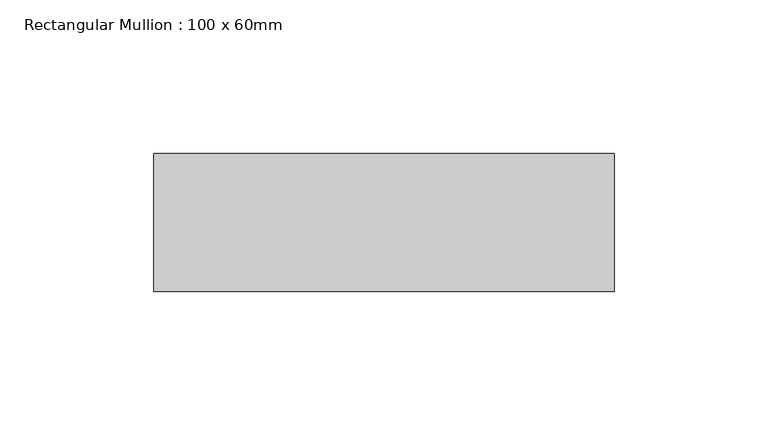
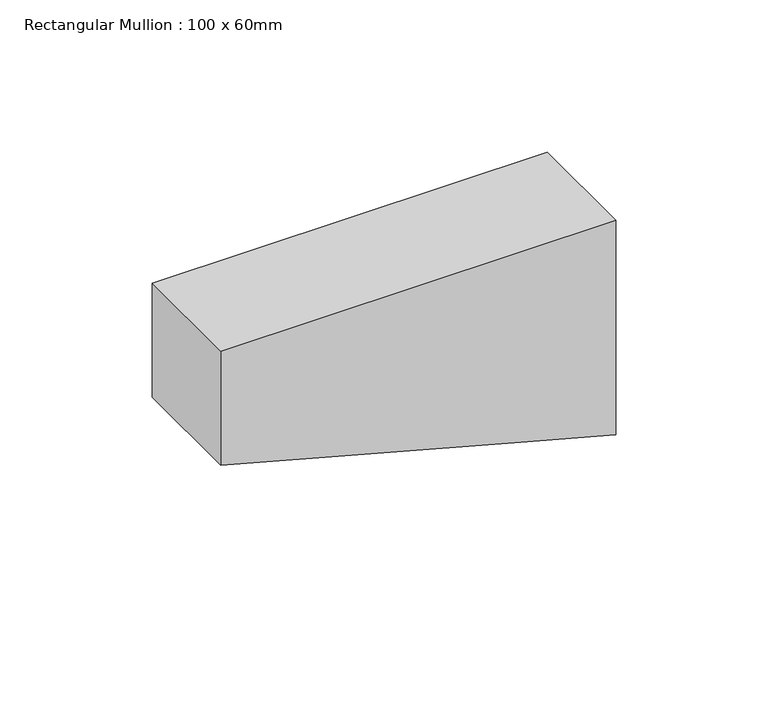
"""IFC4 building model written with IfcOpenShell, lengths in millimetres: member geometry, Rectangular Mullion : 100 x 60mm."""

from ifc_helpers import new_model, si_unit, frame, origin, place, context, project, spatial, polyline, outline, extrude, source, transform, mapped, element, save


def rectangular_mullion_100_x_60mm_beafe535(model_context):
    return source(origin(), model_context, "Body", "SweptSolid", [
        extrude(outline(polyline([(0.0, 75.0), (0.0, -75.0), (-45.8525327, -75.0), (-76.3512752, 38.8228568), (-86.0449115, 75.0), (0.0, 75.0)])), frame((0.0, -15.0, 0.0), z_axis=(0.0, 1.0, 0.0), x_axis=(0.0, 0.0, 1.0)), (0.0, 0.0, 1.0), 45.0),
    ])


if __name__ == "__main__":
    model = new_model("IFC4")
    model_context = context("Model", 3, world=origin())
    ifc_project = project(units=[si_unit("LENGTHUNIT", "METRE", prefix="MILLI")], contexts=[model_context])
    site = spatial("IfcSite", under=ifc_project)
    building = spatial("IfcBuilding", under=site)
    placement = place(None, origin())
    rectangular_mullion_100_x_60mm_shape = rectangular_mullion_100_x_60mm_beafe535(model_context)
    element("IfcMember", 1, ObjectType="Rectangular Mullion : 100 x 60mm", at=placement, inside=building, context=model_context, shape_type="MappedRepresentation", body=[
        mapped(rectangular_mullion_100_x_60mm_shape, transform((0.0, 0.0, 0.0), x_axis=(1.0, 0.0, 0.0), y_axis=(0.0, 1.0, 0.0), z_axis=(0.0, 0.0, 1.0))),
    ])
    save(model, "model.ifc")
